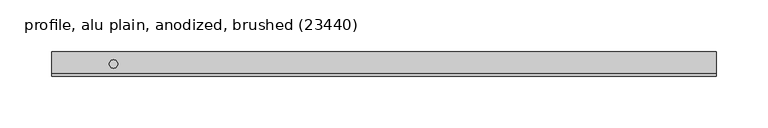
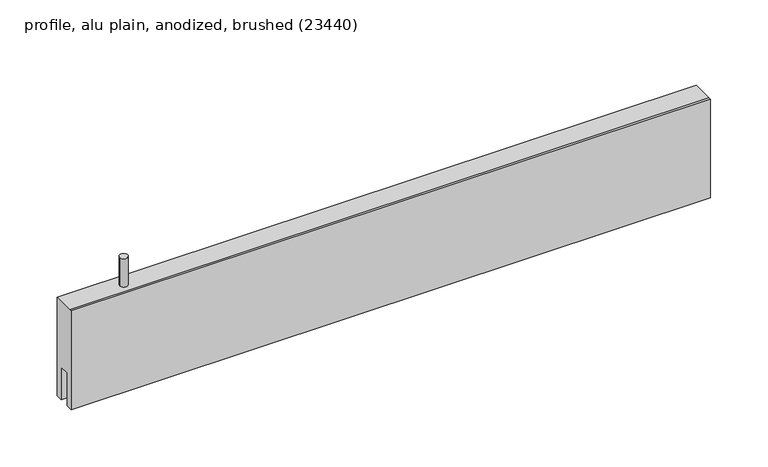
"""IFC4 building model written with IfcOpenShell, lengths in millimetres: proxy geometry, profile, alu plain, anodized, brushed (23440)."""

import ifcopenshell
import ifcopenshell.guid

model = None  # the IFC model being written
_history = None  # IfcOwnerHistory: only IFC2X3 demands one
_inside = {}  # id of a spatial element -> (the spatial element, [elements in it])
_under = {}  # id of a project, library or spatial element -> (it, [spatial elements below it])
_declared = {}  # id of a project -> (the project, [libraries it declares])
_typed = {}  # id of a type object -> (the type object, [elements of that type])
_made_of = {}  # id of a material, layer set ... -> (it, [elements and type objects made of it])


def new_model(schema):
    """Start an empty IFC model of exactly this schema.

    Asked for "IFC4X3", IfcOpenShell would pick the latest addendum, in which some entities
    have other attributes; the version numbers below select the first issue.
    IFC2X3 requires an IfcOwnerHistory on every rooted entity: one is made here for all.
    """
    global model, _history
    if schema == "IFC4X3":
        model = ifcopenshell.file(schema_version=(4, 3, 0, 0))
    else:
        model = ifcopenshell.file(schema=schema)
    _inside.clear()
    _under.clear()
    _declared.clear()
    _typed.clear()
    _made_of.clear()
    _history = None
    if model.schema == "IFC2X3":
        org = make("IfcOrganization", Name="unknown")
        user = make(
            "IfcPersonAndOrganization",
            ThePerson=make("IfcPerson", FamilyName="unknown"),
            TheOrganization=org,
        )
        app = make(
            "IfcApplication",
            ApplicationDeveloper=org,
            Version="unknown",
            ApplicationFullName="unknown",
            ApplicationIdentifier="unknown",
        )
        _history = make(
            "IfcOwnerHistory",
            OwningUser=user,
            OwningApplication=app,
            ChangeAction="ADDED",
            CreationDate=0,
        )
    return model


def make(cls, **values):
    """One entity of the class cls with the attributes given. An attribute that is None is left unset."""
    return model.create_entity(
        cls, **{name: value for name, value in values.items() if value is not None}
    )


def rooted(cls, **values):
    """An entity with a GlobalId (a new one), such as an element, a storey or a relation."""
    return make(cls, GlobalId=ifcopenshell.guid.new(), OwnerHistory=_history, **values)


def si_unit(unit_type, name, prefix=None):
    """IfcSIUnit, for example si_unit("LENGTHUNIT", "METRE", prefix="MILLI")."""
    return make("IfcSIUnit", UnitType=unit_type, Prefix=prefix, Name=name)


def assignment(units):
    """IfcUnitAssignment: the units of a project."""
    return None if units is None else make("IfcUnitAssignment", Units=units)


def point(xyz):
    """IfcCartesianPoint."""
    return None if xyz is None else make("IfcCartesianPoint", Coordinates=xyz)


def direction(xyz):
    """IfcDirection."""
    return None if xyz is None else make("IfcDirection", DirectionRatios=xyz)


def frame(location, z_axis=None, x_axis=None):
    """IfcAxis2Placement3D, a coordinate frame: its origin and axes. An axis left out is left unset."""
    return make(
        "IfcAxis2Placement3D",
        Location=point(location),
        Axis=direction(z_axis),
        RefDirection=direction(x_axis),
    )


def frame_2d(location, x_axis=None):
    """IfcAxis2Placement2D, a coordinate frame in the plane: its origin and x axis."""
    return make(
        "IfcAxis2Placement2D", Location=point(location), RefDirection=direction(x_axis)
    )


def origin():
    """The frame at (0, 0, 0) with its axes left unset."""
    return frame((0.0, 0.0, 0.0))


def origin_2d():
    """The frame at (0, 0) in the plane with its x axis left unset."""
    return frame_2d((0.0, 0.0))


def place(relative_to, where):
    """IfcLocalPlacement: puts the frame where relative to a parent placement (None: the world)."""
    return make(
        "IfcLocalPlacement", PlacementRelTo=relative_to, RelativePlacement=where
    )


def context(
    kind, dimensions, precision=None, world=None, true_north=None, identifier=None
):
    """IfcGeometricRepresentationContext, for example the 3D "Model" context."""
    return make(
        "IfcGeometricRepresentationContext",
        ContextIdentifier=identifier,
        ContextType=kind,
        CoordinateSpaceDimension=dimensions,
        Precision=precision,
        WorldCoordinateSystem=world,
        TrueNorth=true_north,
    )


def project(units=None, contexts=None):
    """IfcProject with its units and contexts."""
    return rooted(
        "IfcProject",
        Name="project",
        RepresentationContexts=contexts,
        UnitsInContext=assignment(units),
    )


def spatial(cls, under=None, at=None, **own):
    """A site, building, storey or space (cls), placed at a placement, below another one or the project."""
    s = rooted(cls, ObjectPlacement=at, **own)
    if under is not None:
        _under.setdefault(under.id(), (under, []))[1].append(s)
    return s


def polyline(points):
    """IfcPolyline through the points."""
    return make("IfcPolyline", Points=[point(p) for p in points])


def circle_curve(where, radius):
    """IfcCircle in the frame where."""
    return make("IfcCircle", Position=where, Radius=radius)


def trimmed(basis, trim1, trim2, sense, master):
    """IfcTrimmedCurve: the piece of a basis curve between two trims."""
    return make(
        "IfcTrimmedCurve",
        BasisCurve=basis,
        Trim1=trim1,
        Trim2=trim2,
        SenseAgreement=sense,
        MasterRepresentation=master,
    )


def segment(curve, same_sense, transition):
    """IfcCompositeCurveSegment."""
    return make(
        "IfcCompositeCurveSegment",
        Transition=transition,
        SameSense=same_sense,
        ParentCurve=curve,
    )


def composite_curve(segments, self_intersect=None):
    """IfcCompositeCurve: segments joined end to end."""
    return make("IfcCompositeCurve", Segments=segments, SelfIntersect=self_intersect)


def outline(outer, holes=None, kind="AREA"):
    """IfcArbitraryClosedProfileDef: a profile drawn as a closed curve; with holes, ...WithVoids."""
    if holes is None:
        return make("IfcArbitraryClosedProfileDef", ProfileType=kind, OuterCurve=outer)
    return make(
        "IfcArbitraryProfileDefWithVoids",
        ProfileType=kind,
        OuterCurve=outer,
        InnerCurves=holes,
    )


def extrude(swept, where, along, depth):
    """IfcExtrudedAreaSolid: the profile swept, set in the frame where, extruded along a direction by depth."""
    return make(
        "IfcExtrudedAreaSolid",
        SweptArea=swept,
        Position=where,
        ExtrudedDirection=direction(along),
        Depth=depth,
    )


def shape(context_of_items, identifier, shape_type, items):
    """IfcShapeRepresentation: the items that make up one representation, for example the "Body"."""
    return make(
        "IfcShapeRepresentation",
        ContextOfItems=context_of_items,
        RepresentationIdentifier=identifier,
        RepresentationType=shape_type,
        Items=items,
    )


def source(mapping_origin, context_of_items, identifier, shape_type, items):
    """IfcRepresentationMap: a shape defined once, which mapped items show again and again."""
    return make(
        "IfcRepresentationMap",
        MappingOrigin=mapping_origin,
        MappedRepresentation=shape(context_of_items, identifier, shape_type, items),
    )


def transform(
    local_origin,
    x_axis=None,
    y_axis=None,
    z_axis=None,
    scale=None,
    scale2=None,
    scale3=None,
    uniform=True,
):
    """IfcCartesianTransformationOperator3D, or its non-uniform kind. x_axis, y_axis, z_axis: its Axis1, 2, 3."""
    if uniform:
        return make(
            "IfcCartesianTransformationOperator3D",
            Axis1=direction(x_axis),
            Axis2=direction(y_axis),
            LocalOrigin=point(local_origin),
            Scale=scale,
            Axis3=direction(z_axis),
        )
    return make(
        "IfcCartesianTransformationOperator3DnonUniform",
        Axis1=direction(x_axis),
        Axis2=direction(y_axis),
        LocalOrigin=point(local_origin),
        Scale=scale,
        Axis3=direction(z_axis),
        Scale2=scale2,
        Scale3=scale3,
    )


def mapped(mapping_source, mapping_target):
    """IfcMappedItem: shows the shape of a source again, moved by a transform."""
    return make(
        "IfcMappedItem", MappingSource=mapping_source, MappingTarget=mapping_target
    )


def made_of(thing, what):
    """Note that an element or type object is made of a material, layer set ...; save() writes the relation."""
    if what is not None:
        _made_of.setdefault(what.id(), (what, []))[1].append(thing)
    return thing


def element(
    cls,
    number,
    at=None,
    inside=None,
    cuts=None,
    type_object=None,
    material=None,
    context=None,
    identifier="Body",
    shape_type=None,
    held_by="IfcProductDefinitionShape",
    body=None,
    shapes=None,
    **own,
):
    """One element of the class cls, such as IfcWall. Its Tag is "e" and its number.

    at: its placement. inside: the storey or other place that contains it. cuts: it is an
    opening in that element (IfcRelVoidsElement). A single representation is given by context,
    identifier, shape_type and body (its items); several are given by shapes. held_by: the class
    of the entity that holds the representations. save() writes the other relations.
    """
    e = rooted(cls, Tag="e%d" % number, ObjectPlacement=at, **own)
    if body is not None:
        shapes = [shape(context, identifier, shape_type, body)]
    if shapes is not None:
        e.Representation = make(held_by, Representations=shapes)
    if inside is not None:
        _inside.setdefault(inside.id(), (inside, []))[1].append(e)
    if cuts is not None:
        rooted(
            "IfcRelVoidsElement", RelatingBuildingElement=cuts, RelatedOpeningElement=e
        )
    if type_object is not None:
        _typed.setdefault(type_object.id(), (type_object, []))[1].append(e)
    return made_of(e, material)


def aggregate(whole, parts):
    """IfcRelAggregates: a whole, such as a stair, and the parts it consists of."""
    return rooted("IfcRelAggregates", RelatingObject=whole, RelatedObjects=parts)


def save(model, path):
    """Write the relations noted so far, then the file.

    IfcRelAggregates (storeys below a building ...), IfcRelContainedInSpatialStructure (elements
    in a storey), IfcRelDefinesByType, IfcRelAssociatesMaterial and IfcRelDeclares: one each for
    every whole, place, type object, material and project.
    """
    for whole, parts in _under.values():
        aggregate(whole, parts)
    for where, things in _inside.values():
        rooted(
            "IfcRelContainedInSpatialStructure",
            RelatedElements=things,
            RelatingStructure=where,
        )
    for kind, things in _typed.values():
        rooted("IfcRelDefinesByType", RelatedObjects=things, RelatingType=kind)
    for what, things in _made_of.values():
        rooted("IfcRelAssociatesMaterial", RelatedObjects=things, RelatingMaterial=what)
    for by, libraries in _declared.values():
        rooted("IfcRelDeclares", RelatingContext=by, RelatedDefinitions=libraries)
    model.write(path)


def profile_alu_plain_anodized_brushed_23440_ef6d2e79(model_context):
    return source(origin(), model_context, "Body", "SweptSolid", [
        extrude(outline(composite_curve([segment(trimmed(circle_curve(origin_2d(), 4.0), [point((-4.0, 0.0))], [point((4.0, 0.0))], False, "CARTESIAN"), True, "CONTINUOUS"), segment(trimmed(circle_curve(origin_2d(), 4.0), [point((4.0, 0.0))], [point((-4.0, 0.0))], False, "CARTESIAN"), True, "CONTINUOUS")], self_intersect=False)), frame((0.0, 0.0, 49.0), z_axis=(0.0, 0.0, 1.0), x_axis=(1.0, 0.0, 0.0)), (0.0, 0.0, 1.0), 30.0),
        extrude(outline(polyline([(12.0, 49.0), (12.0, -56.0), (5.0, -56.0), (5.0, -21.0), (-5.0, -21.0), (-5.0, -56.0), (-12.0, -56.0), (-12.0, 49.0), (-9.692747, 49.0), (12.0, 49.0)])), frame((-60.0, 0.0, 0.0), z_axis=(1.0, 0.0, 0.0), x_axis=(0.0, 1.0, 0.0)), (0.0, 0.0, 1.0), 644.375),
    ])


if __name__ == "__main__":
    model = new_model("IFC4")
    model_context = context("Model", 3, world=origin())
    ifc_project = project(units=[si_unit("LENGTHUNIT", "METRE", prefix="MILLI")], contexts=[model_context])
    site = spatial("IfcSite", under=ifc_project)
    building = spatial("IfcBuilding", under=site)
    placement = place(None, origin())
    profile_alu_plain_anodized_brushed_23440_shape = profile_alu_plain_anodized_brushed_23440_ef6d2e79(model_context)
    element("IfcBuildingElementProxy", 1, Name="profile, alu plain, anodized, brushed (23440)", ObjectType="profile, alu plain, anodized, brushed (23440)", at=placement, inside=building, context=model_context, shape_type="MappedRepresentation", body=[
        mapped(profile_alu_plain_anodized_brushed_23440_shape, transform((0.0, 0.0, 0.0), x_axis=(1.0, 0.0, 0.0), y_axis=(0.0, 1.0, 0.0), z_axis=(0.0, 0.0, 1.0))),
    ])
    save(model, "model.ifc")
